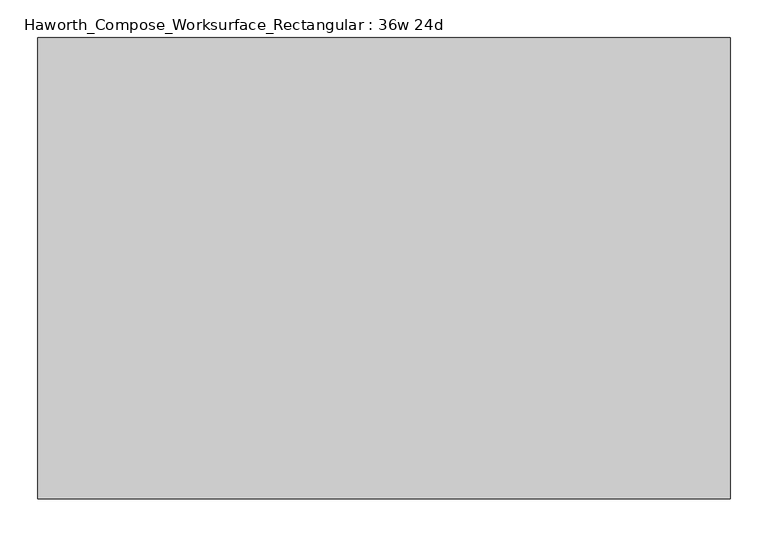
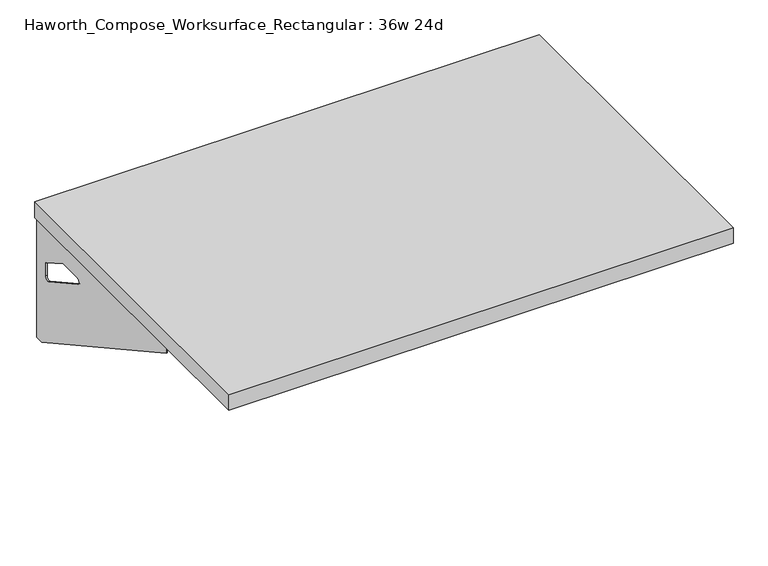
"""IFC4 building model written with IfcOpenShell, lengths in millimetres: furniture geometry, Haworth_Compose_Worksurface_Rectangular : 36w 24d."""

import ifcopenshell
import ifcopenshell.guid

model = None  # the IFC model being written
_history = None  # IfcOwnerHistory: only IFC2X3 demands one
_inside = {}  # id of a spatial element -> (the spatial element, [elements in it])
_under = {}  # id of a project, library or spatial element -> (it, [spatial elements below it])
_declared = {}  # id of a project -> (the project, [libraries it declares])
_typed = {}  # id of a type object -> (the type object, [elements of that type])
_made_of = {}  # id of a material, layer set ... -> (it, [elements and type objects made of it])


def new_model(schema):
    """Start an empty IFC model of exactly this schema.

    Asked for "IFC4X3", IfcOpenShell would pick the latest addendum, in which some entities
    have other attributes; the version numbers below select the first issue.
    IFC2X3 requires an IfcOwnerHistory on every rooted entity: one is made here for all.
    """
    global model, _history
    if schema == "IFC4X3":
        model = ifcopenshell.file(schema_version=(4, 3, 0, 0))
    else:
        model = ifcopenshell.file(schema=schema)
    _inside.clear()
    _under.clear()
    _declared.clear()
    _typed.clear()
    _made_of.clear()
    _history = None
    if model.schema == "IFC2X3":
        org = make("IfcOrganization", Name="unknown")
        user = make(
            "IfcPersonAndOrganization",
            ThePerson=make("IfcPerson", FamilyName="unknown"),
            TheOrganization=org,
        )
        app = make(
            "IfcApplication",
            ApplicationDeveloper=org,
            Version="unknown",
            ApplicationFullName="unknown",
            ApplicationIdentifier="unknown",
        )
        _history = make(
            "IfcOwnerHistory",
            OwningUser=user,
            OwningApplication=app,
            ChangeAction="ADDED",
            CreationDate=0,
        )
    return model


def make(cls, **values):
    """One entity of the class cls with the attributes given. An attribute that is None is left unset."""
    return model.create_entity(
        cls, **{name: value for name, value in values.items() if value is not None}
    )


def rooted(cls, **values):
    """An entity with a GlobalId (a new one), such as an element, a storey or a relation."""
    return make(cls, GlobalId=ifcopenshell.guid.new(), OwnerHistory=_history, **values)


def si_unit(unit_type, name, prefix=None):
    """IfcSIUnit, for example si_unit("LENGTHUNIT", "METRE", prefix="MILLI")."""
    return make("IfcSIUnit", UnitType=unit_type, Prefix=prefix, Name=name)


def assignment(units):
    """IfcUnitAssignment: the units of a project."""
    return None if units is None else make("IfcUnitAssignment", Units=units)


def point(xyz):
    """IfcCartesianPoint."""
    return None if xyz is None else make("IfcCartesianPoint", Coordinates=xyz)


def direction(xyz):
    """IfcDirection."""
    return None if xyz is None else make("IfcDirection", DirectionRatios=xyz)


def frame(location, z_axis=None, x_axis=None):
    """IfcAxis2Placement3D, a coordinate frame: its origin and axes. An axis left out is left unset."""
    return make(
        "IfcAxis2Placement3D",
        Location=point(location),
        Axis=direction(z_axis),
        RefDirection=direction(x_axis),
    )


def origin():
    """The frame at (0, 0, 0) with its axes left unset."""
    return frame((0.0, 0.0, 0.0))


def place(relative_to, where):
    """IfcLocalPlacement: puts the frame where relative to a parent placement (None: the world)."""
    return make(
        "IfcLocalPlacement", PlacementRelTo=relative_to, RelativePlacement=where
    )


def context(
    kind, dimensions, precision=None, world=None, true_north=None, identifier=None
):
    """IfcGeometricRepresentationContext, for example the 3D "Model" context."""
    return make(
        "IfcGeometricRepresentationContext",
        ContextIdentifier=identifier,
        ContextType=kind,
        CoordinateSpaceDimension=dimensions,
        Precision=precision,
        WorldCoordinateSystem=world,
        TrueNorth=true_north,
    )


def project(units=None, contexts=None):
    """IfcProject with its units and contexts."""
    return rooted(
        "IfcProject",
        Name="project",
        RepresentationContexts=contexts,
        UnitsInContext=assignment(units),
    )


def spatial(cls, under=None, at=None, **own):
    """A site, building, storey or space (cls), placed at a placement, below another one or the project."""
    s = rooted(cls, ObjectPlacement=at, **own)
    if under is not None:
        _under.setdefault(under.id(), (under, []))[1].append(s)
    return s


def polyline(points):
    """IfcPolyline through the points."""
    return make("IfcPolyline", Points=[point(p) for p in points])


def circle_curve(where, radius):
    """IfcCircle in the frame where."""
    return make("IfcCircle", Position=where, Radius=radius)


def outline(outer, holes=None, kind="AREA"):
    """IfcArbitraryClosedProfileDef: a profile drawn as a closed curve; with holes, ...WithVoids."""
    if holes is None:
        return make("IfcArbitraryClosedProfileDef", ProfileType=kind, OuterCurve=outer)
    return make(
        "IfcArbitraryProfileDefWithVoids",
        ProfileType=kind,
        OuterCurve=outer,
        InnerCurves=holes,
    )


def extrude(swept, where, along, depth):
    """IfcExtrudedAreaSolid: the profile swept, set in the frame where, extruded along a direction by depth."""
    return make(
        "IfcExtrudedAreaSolid",
        SweptArea=swept,
        Position=where,
        ExtrudedDirection=direction(along),
        Depth=depth,
    )


def shape(context_of_items, identifier, shape_type, items):
    """IfcShapeRepresentation: the items that make up one representation, for example the "Body"."""
    return make(
        "IfcShapeRepresentation",
        ContextOfItems=context_of_items,
        RepresentationIdentifier=identifier,
        RepresentationType=shape_type,
        Items=items,
    )


def source(mapping_origin, context_of_items, identifier, shape_type, items):
    """IfcRepresentationMap: a shape defined once, which mapped items show again and again."""
    return make(
        "IfcRepresentationMap",
        MappingOrigin=mapping_origin,
        MappedRepresentation=shape(context_of_items, identifier, shape_type, items),
    )


def transform(
    local_origin,
    x_axis=None,
    y_axis=None,
    z_axis=None,
    scale=None,
    scale2=None,
    scale3=None,
    uniform=True,
):
    """IfcCartesianTransformationOperator3D, or its non-uniform kind. x_axis, y_axis, z_axis: its Axis1, 2, 3."""
    if uniform:
        return make(
            "IfcCartesianTransformationOperator3D",
            Axis1=direction(x_axis),
            Axis2=direction(y_axis),
            LocalOrigin=point(local_origin),
            Scale=scale,
            Axis3=direction(z_axis),
        )
    return make(
        "IfcCartesianTransformationOperator3DnonUniform",
        Axis1=direction(x_axis),
        Axis2=direction(y_axis),
        LocalOrigin=point(local_origin),
        Scale=scale,
        Axis3=direction(z_axis),
        Scale2=scale2,
        Scale3=scale3,
    )


def mapped(mapping_source, mapping_target):
    """IfcMappedItem: shows the shape of a source again, moved by a transform."""
    return make(
        "IfcMappedItem", MappingSource=mapping_source, MappingTarget=mapping_target
    )


def made_of(thing, what):
    """Note that an element or type object is made of a material, layer set ...; save() writes the relation."""
    if what is not None:
        _made_of.setdefault(what.id(), (what, []))[1].append(thing)
    return thing


def element(
    cls,
    number,
    at=None,
    inside=None,
    cuts=None,
    type_object=None,
    material=None,
    context=None,
    identifier="Body",
    shape_type=None,
    held_by="IfcProductDefinitionShape",
    body=None,
    shapes=None,
    **own,
):
    """One element of the class cls, such as IfcWall. Its Tag is "e" and its number.

    at: its placement. inside: the storey or other place that contains it. cuts: it is an
    opening in that element (IfcRelVoidsElement). A single representation is given by context,
    identifier, shape_type and body (its items); several are given by shapes. held_by: the class
    of the entity that holds the representations. save() writes the other relations.
    """
    e = rooted(cls, Tag="e%d" % number, ObjectPlacement=at, **own)
    if body is not None:
        shapes = [shape(context, identifier, shape_type, body)]
    if shapes is not None:
        e.Representation = make(held_by, Representations=shapes)
    if inside is not None:
        _inside.setdefault(inside.id(), (inside, []))[1].append(e)
    if cuts is not None:
        rooted(
            "IfcRelVoidsElement", RelatingBuildingElement=cuts, RelatedOpeningElement=e
        )
    if type_object is not None:
        _typed.setdefault(type_object.id(), (type_object, []))[1].append(e)
    return made_of(e, material)


def aggregate(whole, parts):
    """IfcRelAggregates: a whole, such as a stair, and the parts it consists of."""
    return rooted("IfcRelAggregates", RelatingObject=whole, RelatedObjects=parts)


def save(model, path):
    """Write the relations noted so far, then the file.

    IfcRelAggregates (storeys below a building ...), IfcRelContainedInSpatialStructure (elements
    in a storey), IfcRelDefinesByType, IfcRelAssociatesMaterial and IfcRelDeclares: one each for
    every whole, place, type object, material and project.
    """
    for whole, parts in _under.values():
        aggregate(whole, parts)
    for where, things in _inside.values():
        rooted(
            "IfcRelContainedInSpatialStructure",
            RelatedElements=things,
            RelatingStructure=where,
        )
    for kind, things in _typed.values():
        rooted("IfcRelDefinesByType", RelatedObjects=things, RelatingType=kind)
    for what, things in _made_of.values():
        rooted("IfcRelAssociatesMaterial", RelatedObjects=things, RelatingMaterial=what)
    for by, libraries in _declared.values():
        rooted("IfcRelDeclares", RelatingContext=by, RelatedDefinitions=libraries)
    model.write(path)


def plane_surface(at):
    """IfcPlane: the flat surface through the origin of the frame at, square to its z axis."""
    return make("IfcPlane", Position=at)


def revolved_surface(curve, axis_point, axis_direction):
    """IfcSurfaceOfRevolution: the curve turned about the line through axis_point along axis_direction."""
    return make(
        "IfcSurfaceOfRevolution",
        SweptCurve=make("IfcArbitraryOpenProfileDef", ProfileType="CURVE", Curve=curve),
        AxisPosition=make("IfcAxis1Placement", Location=point(axis_point), Axis=direction(axis_direction)),
    )


def advanced_brep(points, edges, surfaces, faces):
    """IfcAdvancedBrep: a solid bounded by faces that lie on surfaces and meet in shared edges.

    An edge is (start, end): straight between two places in points (the first is 0);
    or (start, end, curve); or (start, end, curve, False) where it runs against its curve.
    A face is (place in surfaces, loops), or (place, loops, False) where it looks against
    its surface's normal. A loop lists edges by number (the first is 1), with a minus sign
    where the edge is run from its end to its start. The first loop is the outer one.
    """
    corners = [point(p) for p in points]
    vertices = [make("IfcVertexPoint", VertexGeometry=c) for c in corners]
    made = []
    for start, end, *more in edges:
        made.append(
            make(
                "IfcEdgeCurve",
                EdgeStart=vertices[start],
                EdgeEnd=vertices[end],
                EdgeGeometry=more[0] if more else make("IfcPolyline", Points=[corners[start], corners[end]]),
                SameSense=more[1] if len(more) > 1 else True,
            )
        )
    hull = []
    for where, loops, *sense in faces:
        bounds = []
        for j, loop in enumerate(loops):
            ring = [make("IfcOrientedEdge", EdgeElement=made[abs(k) - 1], Orientation=k > 0) for k in loop]
            bounds.append(
                make(
                    "IfcFaceOuterBound" if j == 0 else "IfcFaceBound",
                    Bound=make("IfcEdgeLoop", EdgeList=ring),
                    Orientation=True,
                )
            )
        hull.append(make("IfcAdvancedFace", Bounds=bounds, FaceSurface=surfaces[where], SameSense=sense[0] if sense else True))
    return make("IfcAdvancedBrep", Outer=make("IfcClosedShell", CfsFaces=hull))


def haworth_compose_worksurface_rectangular_36w_24d_8ffd61b6(model_context):
    return source(origin(), model_context, "Body", "SolidModel", [
        advanced_brep(
        [(451.64375, 304.8, 475.45625), (451.64375, 288.925, 475.45625), (451.64375, -101.6, 691.7192568), (451.64375, -101.6, 704.05625), (451.64375, 288.925, 704.05625), (451.64375, 304.8, 704.05625), (451.64375, 221.490072, 665.95625), (451.64375, 177.8355284, 665.95625), (451.64375, 175.1564235, 656.3705539), (451.64375, 266.8776173, 605.5776439), (451.64375, 276.225, 611.1756969), (451.64375, 276.225, 634.6860246), (451.64375, 274.4730055, 637.5242776), (451.64375, 224.5663437, 665.1613425), (454.025, 304.8, 475.45625), (454.025, 304.8, 704.05625), (454.025, 288.925, 704.05625), (454.025, 288.925, 706.4375), (454.025, -101.6, 706.4375), (454.025, -101.6, 691.7192568), (454.025, 288.925, 475.45625), (454.025, 221.490072, 665.95625), (454.025, 224.5663437, 665.1613425), (454.025, 274.4730055, 637.5242776), (454.025, 276.225, 634.6860246), (454.025, 276.225, 611.1756969), (454.025, 266.8776173, 605.5776439), (454.025, 175.1564235, 656.3705539), (454.025, 177.8355284, 665.95625), (412.75, -101.6, 706.4375), (412.75, -101.6, 704.05625), (412.75, 288.925, 704.05625), (412.75, 288.925, 706.4375)],
        [
            (0, 1),
            (1, 2),
            (2, 3),
            (3, 4),
            (4, 5),
            (5, 0),
            (6, 7),
            (7, 8, circle_curve(frame((451.64375, 177.8355284, 660.7890106), z_axis=(1.0, 0.0, 0.0), x_axis=(0.0, -1.0, 0.0)), 5.1672394)),
            (8, 9),
            (9, 10, circle_curve(frame((451.64375, 269.875, 611.1756969), z_axis=(1.0, 0.0, 0.0), x_axis=(0.0, -1.0, 0.0)), 6.35)),
            (10, 11),
            (11, 12, circle_curve(frame((451.64375, 273.05, 634.6860246), z_axis=(1.0, 0.0, 0.0), x_axis=(0.0, -1.0, 0.0)), 3.175)),
            (12, 13),
            (13, 6, circle_curve(frame((451.64375, 221.490072, 659.60625), z_axis=(1.0, 0.0, 0.0), x_axis=(0.0, -1.0, 0.0)), 6.35)),
            (14, 15),
            (15, 16),
            (16, 17),
            (17, 18),
            (18, 19),
            (19, 20),
            (20, 14),
            (21, 22, circle_curve(frame((454.025, 221.490072, 659.60625), z_axis=(-1.0, 0.0, 0.0), x_axis=(0.0, -1.0, 0.0)), 6.35)),
            (22, 23),
            (23, 24, circle_curve(frame((454.025, 273.05, 634.6860246), z_axis=(-1.0, 0.0, 0.0), x_axis=(0.0, -1.0, 0.0)), 3.175)),
            (24, 25),
            (25, 26, circle_curve(frame((454.025, 269.875, 611.1756969), z_axis=(-1.0, 0.0, 0.0), x_axis=(0.0, -1.0, 0.0)), 6.35)),
            (26, 27),
            (27, 28, circle_curve(frame((454.025, 177.8355284, 660.7890106), z_axis=(-1.0, 0.0, 0.0), x_axis=(0.0, -1.0, 0.0)), 5.1672394)),
            (28, 21),
            (4, 16),
            (15, 5),
            (14, 0),
            (20, 1),
            (19, 2),
            (18, 29),
            (29, 30),
            (30, 3),
            (6, 21),
            (28, 7),
            (9, 26),
            (25, 10),
            (24, 11),
            (23, 12),
            (27, 8),
            (31, 4),
            (30, 31),
            (32, 29),
            (17, 32),
            (31, 32),
            (22, 13),
        ],
        [
            plane_surface(frame((451.64375, 304.8, 475.45625), z_axis=(-1.0, 0.0, 0.0), x_axis=(0.0, 1.0, 0.0))),
            plane_surface(frame((454.025, 304.8, 475.45625), z_axis=(1.0, 0.0, 0.0), x_axis=(0.0, -1.0, 0.0))),
            plane_surface(frame((454.025, -101.6, 704.05625), z_axis=(0.0, 0.0, 1.0), x_axis=(-1.0, 0.0, 0.0))),
            plane_surface(frame((454.025, 304.8, 704.05625), z_axis=(0.0, 1.0, 0.0), x_axis=(-1.0, 0.0, 0.0))),
            plane_surface(frame((454.025, 304.8, 475.45625), z_axis=(0.0, 0.0, -1.0), x_axis=(-1.0, 0.0, 0.0))),
            plane_surface(frame((454.025, 288.925, 475.45625), z_axis=(0.0, -0.48445223513455843, -0.8748177135112952), x_axis=(-1.0, 0.0, 0.0))),
            plane_surface(frame((454.025, -101.6, 691.7192568), z_axis=(0.0, -1.0, 0.0), x_axis=(-1.0, 0.0, 0.0))),
            plane_surface(frame((454.025, 221.490072, 665.95625), z_axis=(0.0, 0.0, -1.0), x_axis=(-1.0, 0.0, 0.0))),
            revolved_surface(polyline([(451.64375, 263.525, 611.1756969), (454.025, 263.525, 611.1756969)]), (454.025, 269.875, 611.1756969), (-1.0, 0.0, 0.0)),
            plane_surface(frame((454.025, 276.225, 611.1756969), z_axis=(0.0, -1.0, 0.0), x_axis=(-1.0, 0.0, 0.0))),
            revolved_surface(polyline([(451.64375, 269.875, 634.6860246), (454.025, 269.875, 634.6860246)]), (454.025, 273.05, 634.6860246), (-1.0, 0.0, 0.0)),
            revolved_surface(polyline([(451.64375, 172.668289, 660.7890106), (454.025, 172.668289, 660.7890106)]), (454.025, 177.8355284, 660.7890106), (-1.0, 0.0, 0.0)),
            plane_surface(frame((454.025, 288.925, 704.05625), z_axis=(0.0, 0.0, -1.0), x_axis=(-1.0, 0.0, 0.0))),
            plane_surface(frame((454.025, 288.925, 706.4375), z_axis=(0.0, 0.0, 1.0), x_axis=(1.0, 0.0, 0.0))),
            plane_surface(frame((412.75, 288.925, 706.4375), z_axis=(0.0, 1.0, 0.0), x_axis=(0.0, 0.0, -1.0))),
            plane_surface(frame((412.75, -101.6, 706.4375), z_axis=(-1.0, 0.0, 0.0), x_axis=(0.0, 0.0, -1.0))),
            plane_surface(frame((454.025, 175.1564235, 656.3705539), z_axis=(0.0, 0.4844522351345583, 0.8748177135112953), x_axis=(-1.0, 0.0, 0.0))),
            plane_surface(frame((454.025, 274.4730055, 637.5242776), z_axis=(0.0, -0.4844522351345582, -0.8748177135112953), x_axis=(-1.0, 0.0, 0.0))),
            revolved_surface(polyline([(451.64375, 215.140072, 659.60625), (454.025, 215.140072, 659.60625)]), (454.025, 221.490072, 659.60625), (-1.0, 0.0, 0.0)),
        ],
        [
            (0, [[1, 2, 3, 4, 5, 6], [7, 8, 9, 10, 11, 12, 13, 14]]),
            (1, [[15, 16, 17, 18, 19, 20, 21], [22, 23, 24, 25, 26, 27, 28, 29]]),
            (2, [[-5, 30, -16, 31]]),
            (3, [[-31, -15, 32, -6]]),
            (4, [[-32, -21, 33, -1]]),
            (5, [[-33, -20, 34, -2]]),
            (6, [[-34, -19, 35, 36, 37, -3]]),
            (7, [[38, -29, 39, -7]]),
            (8, [[40, -26, 41, -10]]),
            (9, [[-41, -25, 42, -11]]),
            (10, [[-42, -24, 43, -12]]),
            (11, [[-39, -28, 44, -8]]),
            (12, [[45, -4, -37, 46]]),
            (13, [[47, -35, -18, 48]]),
            (14, [[-17, -30, -45, 49, -48]]),
            (15, [[-36, -47, -49, -46]]),
            (16, [[-44, -27, -40, -9]]),
            (17, [[-43, -23, 50, -13]]),
            (18, [[-50, -22, -38, -14]]),
        ],
    ),
        advanced_brep(
        [(-451.64375, 304.8, 475.45625), (-451.64375, 304.8, 704.05625), (-451.64375, 288.925, 704.05625), (-451.64375, -101.6, 704.05625), (-451.64375, -101.6, 691.7192568), (-451.64375, 288.925, 475.45625), (-451.64375, 221.490072, 665.95625), (-451.64375, 224.5663437, 665.1613425), (-451.64375, 274.4730055, 637.5242776), (-451.64375, 276.225, 634.6860246), (-451.64375, 276.225, 611.1756969), (-451.64375, 266.8776173, 605.5776439), (-451.64375, 175.1564235, 656.3705539), (-451.64375, 177.8355284, 665.95625), (-454.025, 304.8, 475.45625), (-454.025, 288.925, 475.45625), (-454.025, -101.6, 691.7192568), (-454.025, -101.6, 706.4375), (-454.025, 288.925, 706.4375), (-454.025, 288.925, 704.05625), (-454.025, 304.8, 704.05625), (-454.025, 221.490072, 665.95625), (-454.025, 177.8355284, 665.95625), (-454.025, 175.1564235, 656.3705539), (-454.025, 266.8776173, 605.5776439), (-454.025, 276.225, 611.1756969), (-454.025, 276.225, 634.6860246), (-454.025, 274.4730055, 637.5242776), (-454.025, 224.5663437, 665.1613425), (-412.75, -101.6, 704.05625), (-412.75, -101.6, 706.4375), (-412.75, 288.925, 704.05625), (-412.75, 288.925, 706.4375)],
        [
            (0, 1),
            (1, 2),
            (2, 3),
            (3, 4),
            (4, 5),
            (5, 0),
            (6, 7, circle_curve(frame((-451.64375, 221.490072, 659.60625), z_axis=(-1.0, 0.0, 0.0), x_axis=(0.0, -1.0, 0.0)), 6.35)),
            (7, 8),
            (8, 9, circle_curve(frame((-451.64375, 273.05, 634.6860246), z_axis=(-1.0, 0.0, 0.0), x_axis=(0.0, -1.0, 0.0)), 3.175)),
            (9, 10),
            (10, 11, circle_curve(frame((-451.64375, 269.875, 611.1756969), z_axis=(-1.0, 0.0, 0.0), x_axis=(0.0, -1.0, 0.0)), 6.35)),
            (11, 12),
            (12, 13, circle_curve(frame((-451.64375, 177.8355284, 660.7890106), z_axis=(-1.0, 0.0, 0.0), x_axis=(0.0, -1.0, 0.0)), 5.1672394)),
            (13, 6),
            (14, 15),
            (15, 16),
            (16, 17),
            (17, 18),
            (18, 19),
            (19, 20),
            (20, 14),
            (21, 22),
            (22, 23, circle_curve(frame((-454.025, 177.8355284, 660.7890106), z_axis=(1.0, 0.0, 0.0), x_axis=(0.0, -1.0, 0.0)), 5.1672394)),
            (23, 24),
            (24, 25, circle_curve(frame((-454.025, 269.875, 611.1756969), z_axis=(1.0, 0.0, 0.0), x_axis=(0.0, -1.0, 0.0)), 6.35)),
            (25, 26),
            (26, 27, circle_curve(frame((-454.025, 273.05, 634.6860246), z_axis=(1.0, 0.0, 0.0), x_axis=(0.0, -1.0, 0.0)), 3.175)),
            (27, 28),
            (28, 21, circle_curve(frame((-454.025, 221.490072, 659.60625), z_axis=(1.0, 0.0, 0.0), x_axis=(0.0, -1.0, 0.0)), 6.35)),
            (1, 20),
            (19, 2),
            (0, 14),
            (5, 15),
            (4, 16),
            (3, 29),
            (29, 30),
            (30, 17),
            (13, 22),
            (21, 6),
            (10, 25),
            (24, 11),
            (9, 26),
            (8, 27),
            (12, 23),
            (31, 29),
            (2, 31),
            (32, 18),
            (30, 32),
            (32, 31),
            (7, 28),
        ],
        [
            plane_surface(frame((-451.64375, 304.8, 475.45625), z_axis=(1.0, 0.0, 0.0), x_axis=(0.0, 1.0, 0.0))),
            plane_surface(frame((-454.025, 304.8, 475.45625), z_axis=(-1.0, 0.0, 0.0), x_axis=(0.0, -1.0, 0.0))),
            plane_surface(frame((-454.025, -101.6, 704.05625), z_axis=(0.0, 0.0, 1.0), x_axis=(1.0, 0.0, 0.0))),
            plane_surface(frame((-454.025, 304.8, 704.05625), z_axis=(0.0, 1.0, 0.0), x_axis=(1.0, 0.0, 0.0))),
            plane_surface(frame((-454.025, 304.8, 475.45625), z_axis=(0.0, 0.0, -1.0), x_axis=(1.0, 0.0, 0.0))),
            plane_surface(frame((-454.025, 288.925, 475.45625), z_axis=(0.0, -0.48445223513455843, -0.8748177135112952), x_axis=(1.0, 0.0, 0.0))),
            plane_surface(frame((-454.025, -101.6, 691.7192568), z_axis=(0.0, -1.0, 0.0), x_axis=(1.0, 0.0, 0.0))),
            plane_surface(frame((-454.025, 221.490072, 665.95625), z_axis=(0.0, 0.0, -1.0), x_axis=(1.0, 0.0, 0.0))),
            revolved_surface(polyline([(-451.64375, 263.525, 611.1756969), (-454.025, 263.525, 611.1756969)]), (-454.025, 269.875, 611.1756969), (1.0, 0.0, 0.0)),
            plane_surface(frame((-454.025, 276.225, 611.1756969), z_axis=(0.0, -1.0, 0.0), x_axis=(1.0, 0.0, 0.0))),
            revolved_surface(polyline([(-451.64375, 269.875, 634.6860246), (-454.025, 269.875, 634.6860246)]), (-454.025, 273.05, 634.6860246), (1.0, 0.0, 0.0)),
            revolved_surface(polyline([(-451.64375, 172.668289, 660.7890106), (-454.025, 172.668289, 660.7890106)]), (-454.025, 177.8355284, 660.7890106), (1.0, 0.0, 0.0)),
            plane_surface(frame((-454.025, 288.925, 704.05625), z_axis=(0.0, 0.0, -1.0), x_axis=(1.0, 0.0, 0.0))),
            plane_surface(frame((-454.025, 288.925, 706.4375), z_axis=(0.0, 0.0, 1.0), x_axis=(-1.0, 0.0, 0.0))),
            plane_surface(frame((-412.75, 288.925, 706.4375), z_axis=(0.0, 1.0, 0.0), x_axis=(0.0, 0.0, -1.0))),
            plane_surface(frame((-412.75, -101.6, 706.4375), z_axis=(1.0, 0.0, 0.0), x_axis=(0.0, 0.0, -1.0))),
            plane_surface(frame((-454.025, 175.1564235, 656.3705539), z_axis=(0.0, 0.4844522351345583, 0.8748177135112953), x_axis=(1.0, 0.0, 0.0))),
            plane_surface(frame((-454.025, 274.4730055, 637.5242776), z_axis=(0.0, -0.4844522351345582, -0.8748177135112953), x_axis=(1.0, 0.0, 0.0))),
            revolved_surface(polyline([(-451.64375, 215.140072, 659.60625), (-454.025, 215.140072, 659.60625)]), (-454.025, 221.490072, 659.60625), (1.0, 0.0, 0.0)),
        ],
        [
            (0, [[1, 2, 3, 4, 5, 6], [7, 8, 9, 10, 11, 12, 13, 14]]),
            (1, [[15, 16, 17, 18, 19, 20, 21], [22, 23, 24, 25, 26, 27, 28, 29]]),
            (2, [[30, -20, 31, -2]]),
            (3, [[-1, 32, -21, -30]]),
            (4, [[-6, 33, -15, -32]]),
            (5, [[-5, 34, -16, -33]]),
            (6, [[-4, 35, 36, 37, -17, -34]]),
            (7, [[-14, 38, -22, 39]]),
            (8, [[-11, 40, -25, 41]]),
            (9, [[-10, 42, -26, -40]]),
            (10, [[-9, 43, -27, -42]]),
            (11, [[-13, 44, -23, -38]]),
            (12, [[45, -35, -3, 46]]),
            (13, [[47, -18, -37, 48]]),
            (14, [[-47, 49, -46, -31, -19]]),
            (15, [[-45, -49, -48, -36]]),
            (16, [[-12, -41, -24, -44]]),
            (17, [[-8, 50, -28, -43]]),
            (18, [[-7, -39, -29, -50]]),
        ],
    ),
        extrude(outline(polyline([(457.2, 304.8), (457.2, -304.8), (-457.2, -304.8), (-457.2, 304.8), (457.2, 304.8)])), frame((0.0, 0.0, 706.4375), z_axis=(0.0, 0.0, 1.0), x_axis=(1.0, 0.0, 0.0)), (0.0, 0.0, 1.0), 30.1625),
    ])


if __name__ == "__main__":
    model = new_model("IFC4")
    model_context = context("Model", 3, world=origin())
    ifc_project = project(units=[si_unit("LENGTHUNIT", "METRE", prefix="MILLI")], contexts=[model_context])
    site = spatial("IfcSite", under=ifc_project)
    building = spatial("IfcBuilding", under=site)
    placement = place(None, origin())
    haworth_compose_worksurface_rectangular_36w_24d_shape = haworth_compose_worksurface_rectangular_36w_24d_8ffd61b6(model_context)
    element("IfcFurniture", 1, ObjectType="Haworth_Compose_Worksurface_Rectangular : 36w 24d", at=placement, inside=building, context=model_context, shape_type="MappedRepresentation", body=[
        mapped(haworth_compose_worksurface_rectangular_36w_24d_shape, transform((0.0, 0.0, 0.0), x_axis=(1.0, 0.0, 0.0), y_axis=(0.0, 1.0, 0.0), z_axis=(0.0, 0.0, 1.0))),
    ])
    save(model, "model.ifc")
